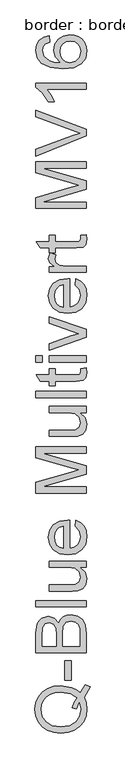
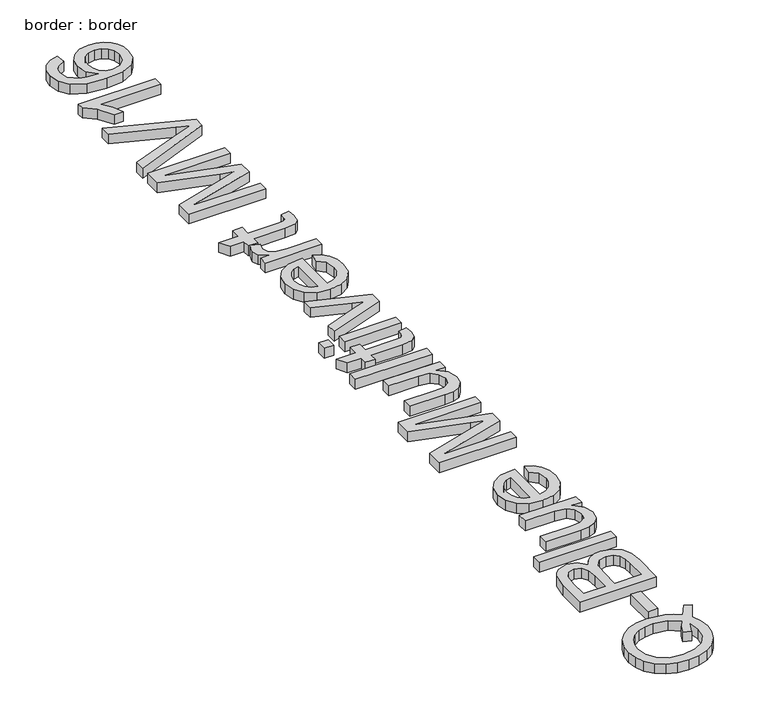
"""IFC4 building model written with IfcOpenShell, lengths in millimetres: proxy geometry, border : border."""

import ifcopenshell
import ifcopenshell.guid

model = None  # the IFC model being written
_history = None  # IfcOwnerHistory: only IFC2X3 demands one
_inside = {}  # id of a spatial element -> (the spatial element, [elements in it])
_under = {}  # id of a project, library or spatial element -> (it, [spatial elements below it])
_declared = {}  # id of a project -> (the project, [libraries it declares])
_typed = {}  # id of a type object -> (the type object, [elements of that type])
_made_of = {}  # id of a material, layer set ... -> (it, [elements and type objects made of it])


def new_model(schema):
    """Start an empty IFC model of exactly this schema.

    Asked for "IFC4X3", IfcOpenShell would pick the latest addendum, in which some entities
    have other attributes; the version numbers below select the first issue.
    IFC2X3 requires an IfcOwnerHistory on every rooted entity: one is made here for all.
    """
    global model, _history
    if schema == "IFC4X3":
        model = ifcopenshell.file(schema_version=(4, 3, 0, 0))
    else:
        model = ifcopenshell.file(schema=schema)
    _inside.clear()
    _under.clear()
    _declared.clear()
    _typed.clear()
    _made_of.clear()
    _history = None
    if model.schema == "IFC2X3":
        org = make("IfcOrganization", Name="unknown")
        user = make(
            "IfcPersonAndOrganization",
            ThePerson=make("IfcPerson", FamilyName="unknown"),
            TheOrganization=org,
        )
        app = make(
            "IfcApplication",
            ApplicationDeveloper=org,
            Version="unknown",
            ApplicationFullName="unknown",
            ApplicationIdentifier="unknown",
        )
        _history = make(
            "IfcOwnerHistory",
            OwningUser=user,
            OwningApplication=app,
            ChangeAction="ADDED",
            CreationDate=0,
        )
    return model


def make(cls, **values):
    """One entity of the class cls with the attributes given. An attribute that is None is left unset."""
    return model.create_entity(
        cls, **{name: value for name, value in values.items() if value is not None}
    )


def rooted(cls, **values):
    """An entity with a GlobalId (a new one), such as an element, a storey or a relation."""
    return make(cls, GlobalId=ifcopenshell.guid.new(), OwnerHistory=_history, **values)


def si_unit(unit_type, name, prefix=None):
    """IfcSIUnit, for example si_unit("LENGTHUNIT", "METRE", prefix="MILLI")."""
    return make("IfcSIUnit", UnitType=unit_type, Prefix=prefix, Name=name)


def assignment(units):
    """IfcUnitAssignment: the units of a project."""
    return None if units is None else make("IfcUnitAssignment", Units=units)


def point(xyz):
    """IfcCartesianPoint."""
    return None if xyz is None else make("IfcCartesianPoint", Coordinates=xyz)


def direction(xyz):
    """IfcDirection."""
    return None if xyz is None else make("IfcDirection", DirectionRatios=xyz)


def frame(location, z_axis=None, x_axis=None):
    """IfcAxis2Placement3D, a coordinate frame: its origin and axes. An axis left out is left unset."""
    return make(
        "IfcAxis2Placement3D",
        Location=point(location),
        Axis=direction(z_axis),
        RefDirection=direction(x_axis),
    )


def origin():
    """The frame at (0, 0, 0) with its axes left unset."""
    return frame((0.0, 0.0, 0.0))


def origin_with_axes():
    """The frame at (0, 0, 0) with the z axis (0, 0, 1) and the x axis (1, 0, 0) written out."""
    return frame((0.0, 0.0, 0.0), z_axis=(0.0, 0.0, 1.0), x_axis=(1.0, 0.0, 0.0))


def place(relative_to, where):
    """IfcLocalPlacement: puts the frame where relative to a parent placement (None: the world)."""
    return make(
        "IfcLocalPlacement", PlacementRelTo=relative_to, RelativePlacement=where
    )


def context(
    kind, dimensions, precision=None, world=None, true_north=None, identifier=None
):
    """IfcGeometricRepresentationContext, for example the 3D "Model" context."""
    return make(
        "IfcGeometricRepresentationContext",
        ContextIdentifier=identifier,
        ContextType=kind,
        CoordinateSpaceDimension=dimensions,
        Precision=precision,
        WorldCoordinateSystem=world,
        TrueNorth=true_north,
    )


def project(units=None, contexts=None):
    """IfcProject with its units and contexts."""
    return rooted(
        "IfcProject",
        Name="project",
        RepresentationContexts=contexts,
        UnitsInContext=assignment(units),
    )


def spatial(cls, under=None, at=None, **own):
    """A site, building, storey or space (cls), placed at a placement, below another one or the project."""
    s = rooted(cls, ObjectPlacement=at, **own)
    if under is not None:
        _under.setdefault(under.id(), (under, []))[1].append(s)
    return s


def polyline(points):
    """IfcPolyline through the points."""
    return make("IfcPolyline", Points=[point(p) for p in points])


def outline(outer, holes=None, kind="AREA"):
    """IfcArbitraryClosedProfileDef: a profile drawn as a closed curve; with holes, ...WithVoids."""
    if holes is None:
        return make("IfcArbitraryClosedProfileDef", ProfileType=kind, OuterCurve=outer)
    return make(
        "IfcArbitraryProfileDefWithVoids",
        ProfileType=kind,
        OuterCurve=outer,
        InnerCurves=holes,
    )


def extrude(swept, where, along, depth):
    """IfcExtrudedAreaSolid: the profile swept, set in the frame where, extruded along a direction by depth."""
    return make(
        "IfcExtrudedAreaSolid",
        SweptArea=swept,
        Position=where,
        ExtrudedDirection=direction(along),
        Depth=depth,
    )


def shape(context_of_items, identifier, shape_type, items):
    """IfcShapeRepresentation: the items that make up one representation, for example the "Body"."""
    return make(
        "IfcShapeRepresentation",
        ContextOfItems=context_of_items,
        RepresentationIdentifier=identifier,
        RepresentationType=shape_type,
        Items=items,
    )


def source(mapping_origin, context_of_items, identifier, shape_type, items):
    """IfcRepresentationMap: a shape defined once, which mapped items show again and again."""
    return make(
        "IfcRepresentationMap",
        MappingOrigin=mapping_origin,
        MappedRepresentation=shape(context_of_items, identifier, shape_type, items),
    )


def transform(
    local_origin,
    x_axis=None,
    y_axis=None,
    z_axis=None,
    scale=None,
    scale2=None,
    scale3=None,
    uniform=True,
):
    """IfcCartesianTransformationOperator3D, or its non-uniform kind. x_axis, y_axis, z_axis: its Axis1, 2, 3."""
    if uniform:
        return make(
            "IfcCartesianTransformationOperator3D",
            Axis1=direction(x_axis),
            Axis2=direction(y_axis),
            LocalOrigin=point(local_origin),
            Scale=scale,
            Axis3=direction(z_axis),
        )
    return make(
        "IfcCartesianTransformationOperator3DnonUniform",
        Axis1=direction(x_axis),
        Axis2=direction(y_axis),
        LocalOrigin=point(local_origin),
        Scale=scale,
        Axis3=direction(z_axis),
        Scale2=scale2,
        Scale3=scale3,
    )


def mapped(mapping_source, mapping_target):
    """IfcMappedItem: shows the shape of a source again, moved by a transform."""
    return make(
        "IfcMappedItem", MappingSource=mapping_source, MappingTarget=mapping_target
    )


def made_of(thing, what):
    """Note that an element or type object is made of a material, layer set ...; save() writes the relation."""
    if what is not None:
        _made_of.setdefault(what.id(), (what, []))[1].append(thing)
    return thing


def element(
    cls,
    number,
    at=None,
    inside=None,
    cuts=None,
    type_object=None,
    material=None,
    context=None,
    identifier="Body",
    shape_type=None,
    held_by="IfcProductDefinitionShape",
    body=None,
    shapes=None,
    **own,
):
    """One element of the class cls, such as IfcWall. Its Tag is "e" and its number.

    at: its placement. inside: the storey or other place that contains it. cuts: it is an
    opening in that element (IfcRelVoidsElement). A single representation is given by context,
    identifier, shape_type and body (its items); several are given by shapes. held_by: the class
    of the entity that holds the representations. save() writes the other relations.
    """
    e = rooted(cls, Tag="e%d" % number, ObjectPlacement=at, **own)
    if body is not None:
        shapes = [shape(context, identifier, shape_type, body)]
    if shapes is not None:
        e.Representation = make(held_by, Representations=shapes)
    if inside is not None:
        _inside.setdefault(inside.id(), (inside, []))[1].append(e)
    if cuts is not None:
        rooted(
            "IfcRelVoidsElement", RelatingBuildingElement=cuts, RelatedOpeningElement=e
        )
    if type_object is not None:
        _typed.setdefault(type_object.id(), (type_object, []))[1].append(e)
    return made_of(e, material)


def aggregate(whole, parts):
    """IfcRelAggregates: a whole, such as a stair, and the parts it consists of."""
    return rooted("IfcRelAggregates", RelatingObject=whole, RelatedObjects=parts)


def save(model, path):
    """Write the relations noted so far, then the file.

    IfcRelAggregates (storeys below a building ...), IfcRelContainedInSpatialStructure (elements
    in a storey), IfcRelDefinesByType, IfcRelAssociatesMaterial and IfcRelDeclares: one each for
    every whole, place, type object, material and project.
    """
    for whole, parts in _under.values():
        aggregate(whole, parts)
    for where, things in _inside.values():
        rooted(
            "IfcRelContainedInSpatialStructure",
            RelatedElements=things,
            RelatingStructure=where,
        )
    for kind, things in _typed.values():
        rooted("IfcRelDefinesByType", RelatedObjects=things, RelatingType=kind)
    for what, things in _made_of.values():
        rooted("IfcRelAssociatesMaterial", RelatedObjects=things, RelatingMaterial=what)
    for by, libraries in _declared.values():
        rooted("IfcRelDeclares", RelatingContext=by, RelatedDefinitions=libraries)
    model.write(path)


def border_border_711c853a(model_context):
    return source(origin(), model_context, "Body", "SweptSolid", [
        extrude(outline(polyline([(-517.7043269, 597.8725962), (-502.3076923, 620.7692308), (-488.7860577, 615.7932692), (-506.0576923, 585.3966346), (-499.7836538, 568.3143029), (-497.6923077, 549.5192308), (-500.1036659, 530.6340144), (-507.3377404, 513.5697115), (-518.9393029, 499.2773437), (-534.453125, 488.7079327), (-553.0273438, 482.1769832), (-573.8100962, 480.0), (-594.6108774, 482.172476), (-613.4555288, 488.6899038), (-629.1902043, 499.21875), (-640.6610577, 513.4254808), (-647.6652644, 530.4266827), (-650.0, 549.3389423), (-647.6111779, 568.3999399), (-640.4447115, 585.4867788), (-628.9783654, 599.6709736), (-613.6899038, 610.0240385), (-595.390625, 616.3521635), (-574.8918269, 618.4615385), (-542.6201923, 613.3413462), (-529.233774, 606.9140625), (-517.7043269, 597.8725962)]), holes=[polyline([(-542.2596154, 554.6033654), (-536.391226, 570.1262019), (-528.2331731, 582.65625), (-547.2716346, 595.6640625), (-573.9543269, 600.0), (-590.2028245, 598.4675481), (-604.2608173, 593.8701923), (-615.7722356, 586.320613), (-624.3810096, 575.9314904), (-629.7490986, 563.4059495), (-631.5384615, 549.4471154), (-627.9191707, 529.3269231), (-617.0612981, 512.9567308), (-599.0189303, 502.0853365), (-573.8461538, 498.4615385), (-549.2142428, 502.0447716), (-531.0637019, 512.7944712), (-519.8813101, 529.1150841), (-516.1538462, 549.4110577), (-519.9399038, 569.2788462), (-528.125, 549.84375), (-542.2596154, 554.6033654)])]), origin_with_axes(), (0.0, 0.0, 1.0), 20.0),
        extrude(outline(polyline([(-543.8461538, 634.6153846), (-562.3076923, 634.6153846), (-562.3076923, 692.3076923), (-543.8461538, 692.3076923), (-543.8461538, 634.6153846)])), origin_with_axes(), (0.0, 0.0, 1.0), 20.0),
        extrude(outline(polyline([(-500.0, 715.3846154), (-647.6923077, 715.3846154), (-647.6923077, 771.7427885), (-643.3473558, 799.3449519), (-637.8350361, 808.6207933), (-629.9879808, 815.6430288), (-611.09375, 821.5384615), (-593.8401442, 816.5805288), (-580.7692308, 801.5985577), (-575.3064904, 812.0597957), (-566.9951923, 819.7896635), (-556.3852163, 824.5628005), (-544.0264423, 826.1538462), (-524.1766827, 821.8088942), (-510.0420673, 811.0456731), (-502.5420673, 794.9819712), (-500.0, 771.3100962), (-500.0, 715.3846154)]), holes=[polyline([(-587.6923077, 733.8461538), (-587.6923077, 767.5600962), (-589.2788462, 787.2475962), (-596.1117788, 799.0925481), (-608.1370192, 803.0769231), (-620.1802885, 799.3629808), (-627.3016827, 788.7259615), (-629.2307692, 765.0), (-629.2307692, 733.8461538), (-587.6923077, 733.8461538)]), polyline([(-518.4615385, 733.8461538), (-518.4615385, 771.7067308), (-519.1826923, 785.4086538), (-523.203125, 797.0012019), (-531.40625, 804.6814904), (-543.8461538, 807.6923077), (-558.1971154, 804.1586538), (-566.7608173, 792.7103365), (-569.2307692, 769.9038462), (-569.2307692, 733.8461538), (-518.4615385, 733.8461538)])]), origin_with_axes(), (0.0, 0.0, 1.0), 20.0),
        extrude(outline(polyline([(-500.0, 849.2307692), (-647.6923077, 849.2307692), (-647.6923077, 867.6923077), (-500.0, 867.6923077), (-500.0, 849.2307692)])), origin_with_axes(), (0.0, 0.0, 1.0), 20.0),
        extrude(outline(polyline([(-500.0, 964.6153846), (-518.6418269, 964.6153846), (-502.9296875, 950.15625), (-497.6923077, 931.2980769), (-501.3701923, 913.9362981), (-510.6009615, 901.9651442), (-524.1947115, 896.4663462), (-541.3581731, 895.3846154), (-608.4615385, 895.3846154), (-608.4615385, 913.8461538), (-550.0480769, 913.8461538), (-531.2259615, 914.9639423), (-520.1742788, 922.265625), (-516.1538462, 936.0216346), (-520.2644231, 951.4362981), (-531.4603365, 961.6225962), (-552.03125, 964.6153846), (-608.4615385, 964.6153846), (-608.4615385, 983.0769231), (-500.0, 983.0769231), (-500.0, 964.6153846)])), origin_with_axes(), (0.0, 0.0, 1.0), 20.0),
        extrude(outline(polyline([(-532.3076923, 1084.3990385), (-530.0, 1102.5), (-516.3611779, 1095.9780649), (-506.1658654, 1085.5709135), (-499.8106971, 1071.5129207), (-497.6923077, 1054.0384615), (-501.3476563, 1032.3768029), (-512.3137019, 1015.7091346), (-529.8783053, 1005.0811298), (-553.3293269, 1001.5384615), (-577.5691106, 1005.1171875), (-595.6971154, 1015.8533654), (-607.0012019, 1032.2956731), (-610.7692308, 1052.9927885), (-607.0102163, 1073.0453726), (-595.7331731, 1089.0685096), (-577.641226, 1099.5748197), (-553.4375, 1103.0769231), (-548.4615385, 1102.96875), (-548.4615385, 1020.0), (-534.6424279, 1023.195613), (-524.4831731, 1030.6189904), (-518.2361779, 1041.3326322), (-516.1538462, 1054.3990385), (-520.0120192, 1072.5), (-532.3076923, 1084.3990385)]), holes=[polyline([(-566.9230769, 1020.0), (-566.9230769, 1084.6153846), (-576.6766827, 1082.1183894), (-583.6538462, 1077.2235577), (-590.1442308, 1066.4603365), (-592.3076923, 1052.9206731), (-590.5814303, 1040.476262), (-585.4026442, 1030.1862981), (-577.3302284, 1023.0333534), (-566.9230769, 1020.0)])]), origin_with_axes(), (0.0, 0.0, 1.0), 20.0),
        extrude(outline(polyline([(-500.0, 1181.5384615), (-647.6923077, 1181.5384615), (-647.6923077, 1213.3052885), (-543.59375, 1243.5216346), (-521.8509615, 1249.6153846), (-545.3966346, 1256.2139423), (-647.6923077, 1285.9254808), (-647.6923077, 1317.6923077), (-500.0, 1317.6923077), (-500.0, 1299.2307692), (-629.2307692, 1299.2307692), (-500.0, 1262.1274038), (-500.0, 1237.1033654), (-629.2307692, 1200.0), (-500.0, 1200.0), (-500.0, 1181.5384615)])), origin_with_axes(), (0.0, 0.0, 1.0), 20.0),
        extrude(outline(polyline([(-500.0, 1416.9230769), (-518.6418269, 1416.9230769), (-502.9296875, 1402.4639423), (-497.6923077, 1383.6057692), (-501.3701923, 1366.2439904), (-510.6009615, 1354.2728365), (-524.1947115, 1348.7740385), (-541.3581731, 1347.6923077), (-608.4615385, 1347.6923077), (-608.4615385, 1366.1538462), (-550.0480769, 1366.1538462), (-531.2259615, 1367.2716346), (-520.1742788, 1374.5733173), (-516.1538462, 1388.3293269), (-520.2644231, 1403.7439904), (-531.4603365, 1413.9302885), (-552.03125, 1416.9230769), (-608.4615385, 1416.9230769), (-608.4615385, 1435.3846154), (-500.0, 1435.3846154), (-500.0, 1416.9230769)])), origin_with_axes(), (0.0, 0.0, 1.0), 20.0),
        extrude(outline(polyline([(-500.0, 1460.7692308), (-647.6923077, 1460.7692308), (-647.6923077, 1479.2307692), (-500.0, 1479.2307692), (-500.0, 1460.7692308)])), origin_with_axes(), (0.0, 0.0, 1.0), 20.0),
        extrude(outline(polyline([(-515.3966346, 1546.1538462), (-499.4591346, 1548.4615385), (-497.6923077, 1534.6514423), (-500.7572115, 1519.1826923), (-508.7980769, 1511.4663462), (-529.7475962, 1509.2307692), (-590.0, 1509.2307692), (-590.0, 1495.3846154), (-608.4615385, 1495.3846154), (-608.4615385, 1509.2307692), (-634.8197115, 1509.2307692), (-645.6730769, 1527.6923077), (-608.4615385, 1527.6923077), (-608.4615385, 1546.1538462), (-590.0, 1546.1538462), (-590.0, 1527.6923077), (-530.2884615, 1527.6923077), (-520.7692308, 1528.6658654), (-517.3978365, 1531.8209135), (-516.1538462, 1538.1129808), (-515.3966346, 1546.1538462)])), origin_with_axes(), (0.0, 0.0, 1.0), 20.0),
        extrude(outline(polyline([(-500.0, 1564.6153846), (-608.4615385, 1564.6153846), (-608.4615385, 1583.0769231), (-500.0, 1583.0769231), (-500.0, 1564.6153846)])), origin_with_axes(), (0.0, 0.0, 1.0), 20.0),
        extrude(outline(polyline([(-629.2307692, 1564.6153846), (-647.6923077, 1564.6153846), (-647.6923077, 1583.0769231), (-629.2307692, 1583.0769231), (-629.2307692, 1564.6153846)])), origin_with_axes(), (0.0, 0.0, 1.0), 20.0),
        extrude(outline(polyline([(-500.0, 1637.3798077), (-608.4615385, 1599.2307692), (-608.4615385, 1618.7740385), (-543.4855769, 1641.8870192), (-521.6346154, 1648.8461538), (-542.2596154, 1655.6610577), (-608.4615385, 1678.9182692), (-608.4615385, 1698.4615385), (-500.0, 1660.78125), (-500.0, 1637.3798077)])), origin_with_axes(), (0.0, 0.0, 1.0), 20.0),
        extrude(outline(polyline([(-532.3076923, 1790.5528846), (-530.0, 1808.6538462), (-516.3611779, 1802.1319111), (-506.1658654, 1791.7247596), (-499.8106971, 1777.6667668), (-497.6923077, 1760.1923077), (-501.3476563, 1738.530649), (-512.3137019, 1721.8629808), (-529.8783053, 1711.234976), (-553.3293269, 1707.6923077), (-577.5691106, 1711.2710337), (-595.6971154, 1722.0072115), (-607.0012019, 1738.4495192), (-610.7692308, 1759.1466346), (-607.0102163, 1779.1992187), (-595.7331731, 1795.2223558), (-577.641226, 1805.7286659), (-553.4375, 1809.2307692), (-548.4615385, 1809.1225962), (-548.4615385, 1726.1538462), (-534.6424279, 1729.3494591), (-524.4831731, 1736.7728365), (-518.2361779, 1747.4864784), (-516.1538462, 1760.5528846), (-520.0120192, 1778.6538462), (-532.3076923, 1790.5528846)]), holes=[polyline([(-566.9230769, 1726.1538462), (-566.9230769, 1790.7692308), (-576.6766827, 1788.2722356), (-583.6538462, 1783.3774038), (-590.1442308, 1772.6141827), (-592.3076923, 1759.0745192), (-590.5814303, 1746.6301082), (-585.4026442, 1736.3401442), (-577.3302284, 1729.1871995), (-566.9230769, 1726.1538462)])]), origin_with_axes(), (0.0, 0.0, 1.0), 20.0),
        extrude(outline(polyline([(-500.0, 1827.6923077), (-608.4615385, 1827.6923077), (-608.4615385, 1843.8461538), (-592.4158654, 1843.8461538), (-607.1995192, 1855.3125), (-610.7692308, 1866.8509615), (-605.0721154, 1885.3846154), (-588.5216346, 1879.21875), (-592.3076923, 1866.2379808), (-588.6658654, 1855.7992788), (-578.5697115, 1849.1466346), (-557.0072115, 1846.1538462), (-500.0, 1846.1538462), (-500.0, 1827.6923077)])), origin_with_axes(), (0.0, 0.0, 1.0), 20.0),
        extrude(outline(polyline([(-515.3966346, 1936.1538462), (-499.4591346, 1938.4615385), (-497.6923077, 1924.6514423), (-500.7572115, 1909.1826923), (-508.7980769, 1901.4663462), (-529.7475962, 1899.2307692), (-590.0, 1899.2307692), (-590.0, 1885.3846154), (-608.4615385, 1885.3846154), (-608.4615385, 1899.2307692), (-634.8197115, 1899.2307692), (-645.6730769, 1917.6923077), (-608.4615385, 1917.6923077), (-608.4615385, 1936.1538462), (-590.0, 1936.1538462), (-590.0, 1917.6923077), (-530.2884615, 1917.6923077), (-520.7692308, 1918.6658654), (-517.3978365, 1921.8209135), (-516.1538462, 1928.1129808), (-515.3966346, 1936.1538462)])), origin_with_axes(), (0.0, 0.0, 1.0), 20.0),
        extrude(outline(polyline([(-500.0, 2014.6153846), (-647.6923077, 2014.6153846), (-647.6923077, 2046.3822115), (-543.59375, 2076.5985577), (-521.8509615, 2082.6923077), (-545.3966346, 2089.2908654), (-647.6923077, 2119.0024038), (-647.6923077, 2150.7692308), (-500.0, 2150.7692308), (-500.0, 2132.3076923), (-629.2307692, 2132.3076923), (-500.0, 2095.2043269), (-500.0, 2070.1802885), (-629.2307692, 2033.0769231), (-500.0, 2033.0769231), (-500.0, 2014.6153846)])), origin_with_axes(), (0.0, 0.0, 1.0), 20.0),
        extrude(outline(polyline([(-500.0, 2226.7067308), (-647.6923077, 2167.9326923), (-647.6923077, 2187.6923077), (-541.2860577, 2227.03125), (-517.3076923, 2235.0), (-541.2860577, 2242.8605769), (-647.6923077, 2282.3076923), (-647.6923077, 2302.0673077), (-500.0, 2245.78125), (-500.0, 2226.7067308)])), origin_with_axes(), (0.0, 0.0, 1.0), 20.0),
        extrude(outline(polyline([(-500.0, 2381.5384615), (-500.0, 2363.0769231), (-615.0961538, 2363.0769231), (-602.6382212, 2345.5889423), (-593.3173077, 2326.1538462), (-610.7692308, 2326.1538462), (-628.0408654, 2353.2151442), (-647.6923077, 2369.6394231), (-647.6923077, 2381.5384615), (-500.0, 2381.5384615)])), origin_with_axes(), (0.0, 0.0, 1.0), 20.0),
        extrude(outline(polyline([(-608.4615385, 2520.0), (-606.1538462, 2501.5384615), (-621.5504808, 2494.5432692), (-627.3106971, 2486.1688702), (-629.2307692, 2476.0456731), (-624.7596154, 2459.3870192), (-607.9747596, 2446.7848558), (-594.2232572, 2442.9582332), (-575.0721154, 2441.5384615), (-589.8016827, 2457.8185096), (-594.6153846, 2477.9927885), (-591.3251202, 2495.0480769), (-581.4543269, 2509.3629808), (-566.3731971, 2519.0715144), (-547.4519231, 2522.3076923), (-534.2322716, 2520.7842548), (-521.9771635, 2516.2139423), (-511.5835337, 2508.9753606), (-503.9483173, 2499.4471154), (-499.2563101, 2488.061899), (-497.6923077, 2475.2524038), (-501.8389423, 2454.3073918), (-514.2788462, 2437.6262019), (-536.2379808, 2426.7142428), (-568.9423077, 2423.0769231), (-605.7121394, 2427.1153846), (-630.8533654, 2439.2307692), (-643.4825721, 2455.7722356), (-647.6923077, 2477.1995192), (-645.0871394, 2493.3984375), (-637.2716346, 2506.3701923), (-624.858774, 2515.4567308), (-608.4615385, 2520.0)]), holes=[polyline([(-547.7403846, 2441.5384615), (-531.7487981, 2445.8112981), (-520.1382212, 2457.1694712), (-516.1538462, 2473.8100962), (-518.218149, 2485.9930889), (-524.4110577, 2495.5709135), (-534.1466346, 2501.7773437), (-546.8389423, 2503.8461538), (-559.0219351, 2501.804387), (-568.3112981, 2495.6790865), (-574.1932091, 2485.9390024), (-576.1538462, 2473.0528846), (-574.1932091, 2460.8879207), (-568.3112981, 2450.7151442), (-559.2472957, 2443.8326322), (-547.7403846, 2441.5384615)])]), origin_with_axes(), (0.0, 0.0, 1.0), 20.0),
    ])


if __name__ == "__main__":
    model = new_model("IFC4")
    model_context = context("Model", 3, world=origin())
    ifc_project = project(units=[si_unit("LENGTHUNIT", "METRE", prefix="MILLI")], contexts=[model_context])
    site = spatial("IfcSite", under=ifc_project)
    building = spatial("IfcBuilding", under=site)
    placement = place(None, origin())
    border_border_shape = border_border_711c853a(model_context)
    element("IfcBuildingElementProxy", 1, Name="border : border", ObjectType="border : border", at=placement, inside=building, context=model_context, shape_type="MappedRepresentation", body=[
        mapped(border_border_shape, transform((0.0, 0.0, 0.0), x_axis=(1.0, 0.0, 0.0), y_axis=(0.0, 1.0, 0.0), z_axis=(0.0, 0.0, 1.0))),
    ])
    save(model, "model.ifc")
